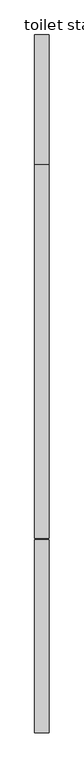
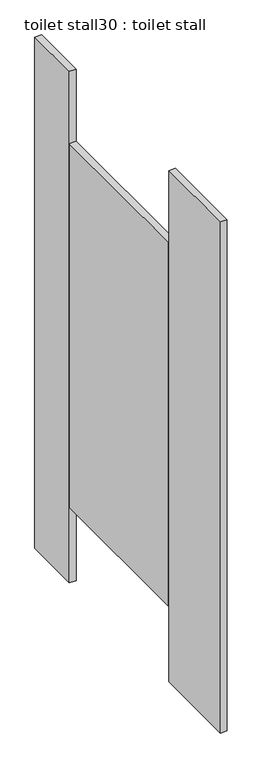
"""IFC4 building model written with IfcOpenShell, lengths in millimetres: proxy geometry, toilet stall30 : toilet stall."""

from ifc_helpers import new_model, si_unit, frame, origin, origin_with_axes, place, context, project, spatial, polyline, outline, extrude, source, transform, mapped, element, save


def toilet_stall30_toilet_stall_2000886b(model_context):
    return source(origin(), model_context, "Body", "SweptSolid", [
        extrude(outline(polyline([(457604.6004676, -264324.3205223), (457604.6004676, -264984.7205223), (457579.2004676, -264984.7205223), (457579.2004676, -264324.3205223), (457604.6004676, -264324.3205223)])), frame((0.0, 0.0, 304.8), z_axis=(0.0, 0.0, 1.0), x_axis=(1.0, 0.0, 0.0)), (0.0, 0.0, 1.0), 1473.2),
        extrude(outline(polyline([(457604.6004676, -264986.9570592), (457604.6004676, -265328.2233948), (457579.2004676, -265328.2233948), (457579.2004676, -264986.9570592), (457604.6004676, -264986.9570592)])), origin_with_axes(), (0.0, 0.0, 1.0), 2070.1),
        extrude(outline(polyline([(457604.6004676, -264095.7205223), (457604.6004676, -264324.3205223), (457579.2004676, -264324.3205223), (457579.2004676, -264095.7205223), (457604.6004676, -264095.7205223)])), origin_with_axes(), (0.0, 0.0, 1.0), 2070.1),
    ])


if __name__ == "__main__":
    model = new_model("IFC4")
    model_context = context("Model", 3, world=origin())
    ifc_project = project(units=[si_unit("LENGTHUNIT", "METRE", prefix="MILLI")], contexts=[model_context])
    site = spatial("IfcSite", under=ifc_project)
    building = spatial("IfcBuilding", under=site)
    placement = place(None, origin())
    toilet_stall30_toilet_stall_shape = toilet_stall30_toilet_stall_2000886b(model_context)
    element("IfcBuildingElementProxy", 1, Name="toilet stall30 : toilet stall", ObjectType="toilet stall30 : toilet stall", at=placement, inside=building, context=model_context, shape_type="MappedRepresentation", body=[
        mapped(toilet_stall30_toilet_stall_shape, transform((0.0, 0.0, 0.0), x_axis=(1.0, 0.0, 0.0), y_axis=(0.0, 1.0, 0.0), z_axis=(0.0, 0.0, 1.0))),
    ])
    save(model, "model.ifc")
